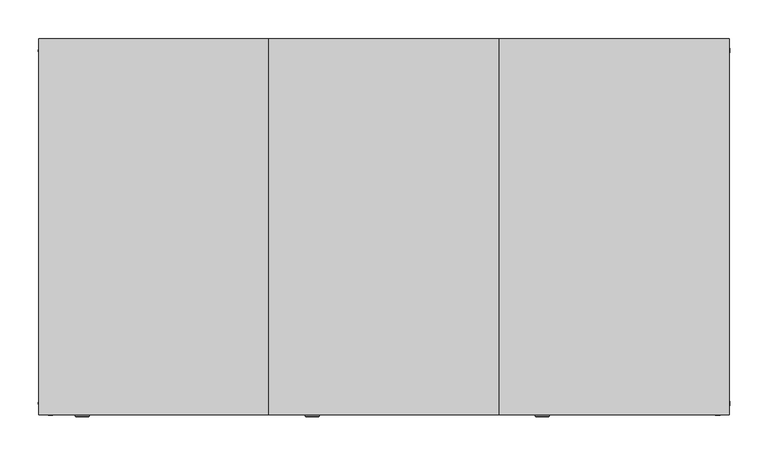
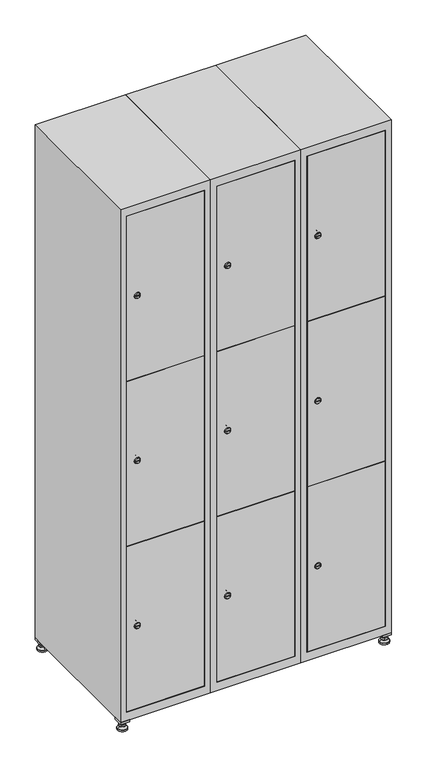
"""IFC4 building model written with IfcOpenShell, lengths in millimetres: furniture geometry."""

from ifc_helpers import new_model, si_unit, point, frame, frame_2d, origin, origin_with_axes, place, context, project, spatial, polyline, circle_curve, trimmed, segment, composite_curve, outline, extrude, faceted_brep, source, transform, mapped, element, save
from ifc_brep_helpers import plane_surface, revolved_surface, advanced_brep


def furniture_47629840(model_context):
    return source(origin(), model_context, "Body", "SolidModel", [
        extrude(outline(polyline([(700.0, 245.0), (700.0, 215.0), (670.0, 215.0), (670.0, 245.0), (700.0, 245.0)]), holes=[polyline([(698.0, 243.0), (672.0, 243.0), (672.0, 217.0), (698.0, 217.0), (698.0, 243.0)])]), frame((0.0, 0.0, 28.5), z_axis=(0.0, 0.0, 1.0), x_axis=(1.0, 0.0, 0.0)), (0.0, 0.0, 1.0), 6.5),
        extrude(outline(polyline([(670.0, -245.0), (670.0, -215.0), (700.0, -215.0), (700.0, -245.0), (670.0, -245.0)]), holes=[polyline([(672.0, -243.0), (698.0, -243.0), (698.0, -217.0), (672.0, -217.0), (672.0, -243.0)])]), frame((0.0, 0.0, 28.5), z_axis=(0.0, 0.0, 1.0), x_axis=(1.0, 0.0, 0.0)), (0.0, 0.0, 1.0), 6.5),
        extrude(outline(polyline([(-170.0, 245.0), (-170.0, 215.0), (-200.0, 215.0), (-200.0, 245.0), (-170.0, 245.0)]), holes=[polyline([(-172.0, 243.0), (-198.0, 243.0), (-198.0, 217.0), (-172.0, 217.0), (-172.0, 243.0)])]), frame((0.0, 0.0, 28.5), z_axis=(0.0, 0.0, 1.0), x_axis=(1.0, 0.0, 0.0)), (0.0, 0.0, 1.0), 6.5),
        extrude(outline(polyline([(-170.0, -215.0), (-170.0, -245.0), (-200.0, -245.0), (-200.0, -215.0), (-170.0, -215.0)]), holes=[polyline([(-198.0, -243.0), (-172.0, -243.0), (-172.0, -217.0), (-198.0, -217.0), (-198.0, -243.0)])]), frame((0.0, 0.0, 28.5), z_axis=(0.0, 0.0, 1.0), x_axis=(1.0, 0.0, 0.0)), (0.0, 0.0, 1.0), 6.5),
        extrude(outline(composite_curve([segment(trimmed(circle_curve(frame_2d((-185.0, 230.0)), 5.0), [point((-180.0, 230.0))], [point((-190.0, 230.0))], False, "CARTESIAN"), True, "CONTINUOUS"), segment(trimmed(circle_curve(frame_2d((-185.0, 230.0)), 5.0), [point((-190.0, 230.0))], [point((-180.0, 230.0))], False, "CARTESIAN"), True, "CONTINUOUS")], self_intersect=False)), frame((0.0, 0.0, 19.6), z_axis=(0.0, 0.0, 1.0), x_axis=(1.0, 0.0, 0.0)), (0.0, 0.0, 1.0), 15.4),
        extrude(outline(composite_curve([segment(trimmed(circle_curve(frame_2d((-185.0, -230.0)), 5.0), [point((-180.0, -230.0))], [point((-190.0, -230.0))], False, "CARTESIAN"), True, "CONTINUOUS"), segment(trimmed(circle_curve(frame_2d((-185.0, -230.0)), 5.0), [point((-190.0, -230.0))], [point((-180.0, -230.0))], False, "CARTESIAN"), True, "CONTINUOUS")], self_intersect=False)), frame((0.0, 0.0, 19.6), z_axis=(0.0, 0.0, 1.0), x_axis=(1.0, 0.0, 0.0)), (0.0, 0.0, 1.0), 15.4),
        extrude(outline(composite_curve([segment(trimmed(circle_curve(frame_2d((685.0, 230.0)), 5.0), [point((690.0, 230.0))], [point((680.0, 230.0))], False, "CARTESIAN"), True, "CONTINUOUS"), segment(trimmed(circle_curve(frame_2d((685.0, 230.0)), 5.0), [point((680.0, 230.0))], [point((690.0, 230.0))], False, "CARTESIAN"), True, "CONTINUOUS")], self_intersect=False)), frame((0.0, 0.0, 19.6), z_axis=(0.0, 0.0, 1.0), x_axis=(1.0, 0.0, 0.0)), (0.0, 0.0, 1.0), 15.4),
        extrude(outline(polyline([(673.4529946, 230.0), (679.2264973, 240.0), (690.7735027, 240.0), (696.5470054, 230.0), (690.7735027, 220.0), (679.2264973, 220.0), (673.4529946, 230.0)])), frame((0.0, 0.0, 13.6), z_axis=(0.0, 0.0, 1.0), x_axis=(1.0, 0.0, 0.0)), (0.0, 0.0, 1.0), 6.0),
        extrude(outline(composite_curve([segment(trimmed(circle_curve(frame_2d((685.0, -230.0)), 5.0), [point((690.0, -230.0))], [point((680.0, -230.0))], False, "CARTESIAN"), True, "CONTINUOUS"), segment(trimmed(circle_curve(frame_2d((685.0, -230.0)), 5.0), [point((680.0, -230.0))], [point((690.0, -230.0))], False, "CARTESIAN"), True, "CONTINUOUS")], self_intersect=False)), frame((0.0, 0.0, 19.6), z_axis=(0.0, 0.0, 1.0), x_axis=(1.0, 0.0, 0.0)), (0.0, 0.0, 1.0), 15.4),
        extrude(outline(polyline([(673.4529946, -230.0), (679.2264973, -220.0), (690.7735027, -220.0), (696.5470054, -230.0), (690.7735027, -240.0), (679.2264973, -240.0), (673.4529946, -230.0)])), frame((0.0, 0.0, 13.6), z_axis=(0.0, 0.0, 1.0), x_axis=(1.0, 0.0, 0.0)), (0.0, 0.0, 1.0), 6.0),
        extrude(outline(composite_curve([segment(trimmed(circle_curve(frame_2d((685.0, 230.0)), 5.0), [point((690.0, 230.0))], [point((680.0, 230.0))], False, "CARTESIAN"), True, "CONTINUOUS"), segment(trimmed(circle_curve(frame_2d((685.0, 230.0)), 5.0), [point((680.0, 230.0))], [point((690.0, 230.0))], False, "CARTESIAN"), True, "CONTINUOUS")], self_intersect=False)), frame((0.0, 0.0, 12.1), z_axis=(0.0, 0.0, 1.0), x_axis=(1.0, 0.0, 0.0)), (0.0, 0.0, 1.0), 1.5),
        extrude(outline(composite_curve([segment(trimmed(circle_curve(frame_2d((685.0, -230.0)), 5.0), [point((690.0, -230.0))], [point((680.0, -230.0))], False, "CARTESIAN"), True, "CONTINUOUS"), segment(trimmed(circle_curve(frame_2d((685.0, -230.0)), 5.0), [point((680.0, -230.0))], [point((690.0, -230.0))], False, "CARTESIAN"), True, "CONTINUOUS")], self_intersect=False)), frame((0.0, 0.0, 12.1), z_axis=(0.0, 0.0, 1.0), x_axis=(1.0, 0.0, 0.0)), (0.0, 0.0, 1.0), 1.5),
        extrude(outline(polyline([(-196.5470054, 230.0), (-190.7735027, 240.0), (-179.2264973, 240.0), (-173.4529946, 230.0), (-179.2264973, 220.0), (-190.7735027, 220.0), (-196.5470054, 230.0)])), frame((0.0, 0.0, 13.6), z_axis=(0.0, 0.0, 1.0), x_axis=(1.0, 0.0, 0.0)), (0.0, 0.0, 1.0), 6.0),
        extrude(outline(polyline([(-196.5470054, -230.0), (-190.7735027, -220.0), (-179.2264973, -220.0), (-173.4529946, -230.0), (-179.2264973, -240.0), (-190.7735027, -240.0), (-196.5470054, -230.0)])), frame((0.0, 0.0, 13.6), z_axis=(0.0, 0.0, 1.0), x_axis=(1.0, 0.0, 0.0)), (0.0, 0.0, 1.0), 6.0),
        extrude(outline(composite_curve([segment(trimmed(circle_curve(frame_2d((-185.0, 230.0)), 5.0), [point((-185.0, 235.0))], [point((-185.0, 225.0))], False, "CARTESIAN"), True, "CONTINUOUS"), segment(trimmed(circle_curve(frame_2d((-185.0, 230.0)), 5.0), [point((-185.0, 225.0))], [point((-185.0, 235.0))], False, "CARTESIAN"), True, "CONTINUOUS")], self_intersect=False)), frame((0.0, 0.0, 12.1), z_axis=(0.0, 0.0, 1.0), x_axis=(1.0, 0.0, 0.0)), (0.0, 0.0, 1.0), 1.5),
        extrude(outline(composite_curve([segment(trimmed(circle_curve(frame_2d((-185.0, -230.0)), 5.0), [point((-180.0, -230.0))], [point((-190.0, -230.0))], False, "CARTESIAN"), True, "CONTINUOUS"), segment(trimmed(circle_curve(frame_2d((-185.0, -230.0)), 5.0), [point((-190.0, -230.0))], [point((-180.0, -230.0))], False, "CARTESIAN"), True, "CONTINUOUS")], self_intersect=False)), frame((0.0, 0.0, 12.1), z_axis=(0.0, 0.0, 1.0), x_axis=(1.0, 0.0, 0.0)), (0.0, 0.0, 1.0), 1.5),
        extrude(outline(composite_curve([segment(trimmed(circle_curve(frame_2d((685.0, 230.0)), 15.75), [point((700.75, 230.0))], [point((669.25, 230.0))], False, "CARTESIAN"), True, "CONTINUOUS"), segment(trimmed(circle_curve(frame_2d((685.0, 230.0)), 15.75), [point((669.25, 230.0))], [point((700.75, 230.0))], False, "CARTESIAN"), True, "CONTINUOUS")], self_intersect=False)), origin_with_axes(), (0.0, 0.0, 1.0), 5.1),
        extrude(outline(composite_curve([segment(trimmed(circle_curve(frame_2d((685.0, -230.0)), 15.75), [point((685.0, -214.25))], [point((685.0, -245.75))], False, "CARTESIAN"), True, "CONTINUOUS"), segment(trimmed(circle_curve(frame_2d((685.0, -230.0)), 15.75), [point((685.0, -245.75))], [point((685.0, -214.25))], False, "CARTESIAN"), True, "CONTINUOUS")], self_intersect=False)), origin_with_axes(), (0.0, 0.0, 1.0), 5.1),
        extrude(outline(composite_curve([segment(trimmed(circle_curve(frame_2d((-185.0, -230.0)), 15.75), [point((-169.25, -230.0))], [point((-200.75, -230.0))], False, "CARTESIAN"), True, "CONTINUOUS"), segment(trimmed(circle_curve(frame_2d((-185.0, -230.0)), 15.75), [point((-200.75, -230.0))], [point((-169.25, -230.0))], False, "CARTESIAN"), True, "CONTINUOUS")], self_intersect=False)), origin_with_axes(), (0.0, 0.0, 1.0), 5.1),
        extrude(outline(composite_curve([segment(trimmed(circle_curve(frame_2d((-185.0, 230.0)), 15.75), [point((-169.25, 230.0))], [point((-200.75, 230.0))], False, "CARTESIAN"), True, "CONTINUOUS"), segment(trimmed(circle_curve(frame_2d((-185.0, 230.0)), 15.75), [point((-200.75, 230.0))], [point((-169.25, 230.0))], False, "CARTESIAN"), True, "CONTINUOUS")], self_intersect=False)), origin_with_axes(), (0.0, 0.0, 1.0), 5.1),
        advanced_brep(
        [(-185.0, 245.75, 5.1), (-185.0, 214.25, 5.1), (-185.0, 239.5, 12.1), (-185.0, 220.5, 12.1)],
        [
            (0, 1, circle_curve(frame((-185.0, 230.0, 5.1), z_axis=(0.0, 0.0, -1.0), x_axis=(0.0, 1.0, 0.0)), 15.75)),
            (1, 0, circle_curve(frame((-185.0, 230.0, 5.1), z_axis=(0.0, 0.0, -1.0), x_axis=(0.0, -1.0, 0.0)), 15.75)),
            (2, 3, circle_curve(frame((-185.0, 230.0, 12.1), z_axis=(0.0, 0.0, 1.0), x_axis=(0.0, -1.0, 0.0)), 9.5)),
            (3, 2, circle_curve(frame((-185.0, 230.0, 12.1), z_axis=(0.0, 0.0, 1.0), x_axis=(0.0, 1.0, 0.0)), 9.5)),
            (3, 1),
            (0, 2),
        ],
        [
            plane_surface(frame((-185.0, 230.0, 5.1), z_axis=(0.0, 0.0, -1.0), x_axis=(1.0, 0.0, 0.0))),
            plane_surface(frame((-185.0, 230.0, 12.1), z_axis=(0.0, 0.0, 1.0), x_axis=(1.0, 0.0, 0.0))),
            revolved_surface(polyline([(-185.0, 220.5, 12.099999999999998), (-185.0, 214.25, 5.099999999999998)]), (-185.0, 230.0, 22.74), (0.0, 0.0, -1.0)),
            revolved_surface(polyline([(-185.0, 239.5, 12.099999999999998), (-185.0, 245.75, 5.099999999999998)]), (-185.0, 230.0, 22.74), (0.0, 0.0, -1.0)),
        ],
        [
            (0, [[1, 2]]),
            (1, [[3, 4]]),
            (2, [[-4, 5, -1, 6]]),
            (3, [[-3, -6, -2, -5]]),
        ],
    ),
        advanced_brep(
        [(685.0, 245.75, 5.1), (685.0, 214.25, 5.1), (685.0, 239.5, 12.1), (685.0, 220.5, 12.1)],
        [
            (0, 1, circle_curve(frame((685.0, 230.0, 5.1), z_axis=(0.0, 0.0, -1.0), x_axis=(0.0, 1.0, 0.0)), 15.75)),
            (1, 0, circle_curve(frame((685.0, 230.0, 5.1), z_axis=(0.0, 0.0, -1.0), x_axis=(0.0, -1.0, 0.0)), 15.75)),
            (2, 3, circle_curve(frame((685.0, 230.0, 12.1), z_axis=(0.0, 0.0, 1.0), x_axis=(0.0, -1.0, 0.0)), 9.5)),
            (3, 2, circle_curve(frame((685.0, 230.0, 12.1), z_axis=(0.0, 0.0, 1.0), x_axis=(0.0, 1.0, 0.0)), 9.5)),
            (3, 1),
            (0, 2),
        ],
        [
            plane_surface(frame((685.0, 230.0, 5.1), z_axis=(0.0, 0.0, -1.0), x_axis=(1.0, 0.0, 0.0))),
            plane_surface(frame((685.0, 230.0, 12.1), z_axis=(0.0, 0.0, 1.0), x_axis=(1.0, 0.0, 0.0))),
            revolved_surface(polyline([(685.0, 220.5, 12.099999999999998), (685.0, 214.25, 5.099999999999998)]), (685.0, 230.0, 22.74), (0.0, 0.0, -1.0)),
            revolved_surface(polyline([(685.0, 239.5, 12.099999999999998), (685.0, 245.75, 5.099999999999998)]), (685.0, 230.0, 22.74), (0.0, 0.0, -1.0)),
        ],
        [
            (0, [[1, 2]]),
            (1, [[3, 4]]),
            (2, [[-4, 5, -1, 6]]),
            (3, [[-3, -6, -2, -5]]),
        ],
    ),
        advanced_brep(
        [(694.5, -230.0, 12.1), (675.5, -230.0, 12.1), (700.75, -230.0, 5.1), (669.25, -230.0, 5.1)],
        [
            (0, 1, circle_curve(frame((685.0, -230.0, 12.1), z_axis=(0.0, 0.0, 1.0), x_axis=(1.0, 0.0, 0.0)), 9.5)),
            (1, 0, circle_curve(frame((685.0, -230.0, 12.1), z_axis=(0.0, 0.0, 1.0), x_axis=(-1.0, 0.0, 0.0)), 9.5)),
            (2, 3, circle_curve(frame((685.0, -230.0, 5.1), z_axis=(0.0, 0.0, -1.0), x_axis=(-1.0, 0.0, 0.0)), 15.75)),
            (3, 2, circle_curve(frame((685.0, -230.0, 5.1), z_axis=(0.0, 0.0, -1.0), x_axis=(1.0, 0.0, 0.0)), 15.75)),
            (3, 1),
            (0, 2),
        ],
        [
            plane_surface(frame((685.0, -230.0, 12.1), z_axis=(0.0, 0.0, 1.0), x_axis=(0.0, 1.0, 0.0))),
            plane_surface(frame((685.0, -230.0, 5.1), z_axis=(0.0, 0.0, -1.0), x_axis=(0.0, 1.0, 0.0))),
            revolved_surface(polyline([(694.5, -230.0, 12.099999999999998), (700.75, -230.0, 5.099999999999998)]), (685.0, -230.0, 22.74), (0.0, 0.0, -1.0)),
            revolved_surface(polyline([(675.5, -230.0, 12.099999999999998), (669.25, -230.0, 5.099999999999998)]), (685.0, -230.0, 22.74), (0.0, 0.0, -1.0)),
        ],
        [
            (0, [[1, 2]]),
            (1, [[3, 4]]),
            (2, [[-4, 5, -1, 6]]),
            (3, [[-3, -6, -2, -5]]),
        ],
    ),
        advanced_brep(
        [(-175.5, -230.0, 12.1), (-194.5, -230.0, 12.1), (-169.25, -230.0, 5.1), (-200.75, -230.0, 5.1)],
        [
            (0, 1, circle_curve(frame((-185.0, -230.0, 12.1), z_axis=(0.0, 0.0, 1.0), x_axis=(1.0, 0.0, 0.0)), 9.5)),
            (1, 0, circle_curve(frame((-185.0, -230.0, 12.1), z_axis=(0.0, 0.0, 1.0), x_axis=(-1.0, 0.0, 0.0)), 9.5)),
            (2, 3, circle_curve(frame((-185.0, -230.0, 5.1), z_axis=(0.0, 0.0, -1.0), x_axis=(-1.0, 0.0, 0.0)), 15.75)),
            (3, 2, circle_curve(frame((-185.0, -230.0, 5.1), z_axis=(0.0, 0.0, -1.0), x_axis=(1.0, 0.0, 0.0)), 15.75)),
            (3, 1),
            (0, 2),
        ],
        [
            plane_surface(frame((-185.0, -230.0, 12.1), z_axis=(0.0, 0.0, 1.0), x_axis=(0.0, 1.0, 0.0))),
            plane_surface(frame((-185.0, -230.0, 5.1), z_axis=(0.0, 0.0, -1.0), x_axis=(0.0, 1.0, 0.0))),
            revolved_surface(polyline([(-175.5, -230.0, 12.099999999999998), (-169.25, -230.0, 5.099999999999998)]), (-185.0, -230.0, 22.74), (0.0, 0.0, -1.0)),
            revolved_surface(polyline([(-194.5, -230.0, 12.099999999999998), (-200.75, -230.0, 5.099999999999998)]), (-185.0, -230.0, 22.74), (0.0, 0.0, -1.0)),
        ],
        [
            (0, [[1, 2]]),
            (1, [[3, 4]]),
            (2, [[-4, 5, -1, 6]]),
            (3, [[-3, -6, -2, -5]]),
        ],
    ),
        extrude(outline(composite_curve([segment(trimmed(circle_curve(frame_2d((355.8, 429.6010534)), 7.0), [point((362.8, 429.6010534))], [point((348.8, 429.6010534))], False, "CARTESIAN"), True, "CONTINUOUS"), segment(polyline([(348.8, 429.6010534), (348.8, 457.6010534)]), True, "CONTINUOUS"), segment(trimmed(circle_curve(frame_2d((355.8, 457.6010534)), 7.0), [point((348.8, 457.6010534))], [point((362.8, 457.6010534))], False, "CARTESIAN"), True, "CONTINUOUS"), segment(polyline([(362.8, 457.6010534), (362.8, 429.6010534)]), True, "CONTINUOUS")], self_intersect=False)), frame((0.0, -227.0, 0.0), z_axis=(0.0, 1.0, 0.0), x_axis=(0.0, 0.0, 1.0)), (0.0, 0.0, 1.0), 2.0),
        advanced_brep(
        [(464.9, -247.2, 355.8), (447.9, -247.2, 355.8), (451.4, -247.2, 354.55), (451.4, -247.2, 357.05), (461.4, -247.2, 357.05), (461.4, -247.2, 354.55), (466.9, -245.0, 355.8), (445.9, -245.0, 355.8), (451.4, -245.0, 357.05), (451.4, -245.0, 354.55), (461.4, -245.0, 354.55), (461.4, -245.0, 357.05)],
        [
            (0, 1, circle_curve(frame((456.4, -247.2, 355.8), z_axis=(0.0, -1.0, 0.0), x_axis=(1.0, 0.0, 0.0)), 8.5)),
            (1, 0, circle_curve(frame((456.4, -247.2, 355.8), z_axis=(0.0, -1.0, 0.0), x_axis=(-1.0, 0.0, 0.0)), 8.5)),
            (2, 3),
            (3, 4),
            (4, 5),
            (5, 2),
            (6, 7, circle_curve(frame((456.4, -245.0, 355.8), z_axis=(0.0, 1.0, 0.0), x_axis=(-1.0, 0.0, 0.0)), 10.5)),
            (7, 6, circle_curve(frame((456.4, -245.0, 355.8), z_axis=(0.0, 1.0, 0.0), x_axis=(1.0, 0.0, 0.0)), 10.5)),
            (8, 9),
            (9, 10),
            (10, 11),
            (11, 8),
            (0, 6),
            (7, 1),
            (8, 3),
            (2, 9),
            (11, 4),
            (10, 5),
        ],
        [
            plane_surface(frame((456.4, -247.2, 355.8), z_axis=(0.0, -1.0, 0.0), x_axis=(0.0, 0.0, 1.0))),
            plane_surface(frame((456.4, -245.0, 355.8), z_axis=(0.0, 1.0, 0.0), x_axis=(0.0, 0.0, 1.0))),
            revolved_surface(polyline([(464.9, -247.2, 355.8), (466.9, -245.0, 355.8)]), (456.4, -256.55, 355.8), (0.0, 1.0, 0.0)),
            revolved_surface(polyline([(447.9, -247.2, 355.8), (445.9, -245.0, 355.8)]), (456.4, -256.55, 355.8), (0.0, 1.0, 0.0)),
            plane_surface(frame((451.4, -245.0, 354.55), z_axis=(1.0, 0.0, 0.0), x_axis=(0.0, -1.0, 0.0))),
            plane_surface(frame((451.4, -245.0, 357.05), z_axis=(0.0, 0.0, -1.0), x_axis=(0.0, -1.0, 0.0))),
            plane_surface(frame((461.4, -245.0, 357.05), z_axis=(-1.0, 0.0, 0.0), x_axis=(0.0, -1.0, 0.0))),
            plane_surface(frame((461.4, -245.0, 354.55), z_axis=(0.0, 0.0, 1.0), x_axis=(0.0, -1.0, 0.0))),
        ],
        [
            (0, [[1, 2], [3, 4, 5, 6]]),
            (1, [[7, 8], [9, 10, 11, 12]]),
            (2, [[-1, 13, -8, 14]]),
            (3, [[-2, -14, -7, -13]]),
            (4, [[15, -3, 16, -9]]),
            (5, [[-15, -12, 17, -4]]),
            (6, [[-17, -11, 18, -5]]),
            (7, [[-16, -6, -18, -10]]),
        ],
    ),
        extrude(outline(composite_curve([segment(trimmed(circle_curve(frame_2d((935.0, 429.6010534)), 7.0), [point((942.0, 429.6010534))], [point((928.0, 429.6010534))], False, "CARTESIAN"), True, "CONTINUOUS"), segment(polyline([(928.0, 429.6010534), (928.0, 457.6010534)]), True, "CONTINUOUS"), segment(trimmed(circle_curve(frame_2d((935.0, 457.6010534)), 7.0), [point((928.0, 457.6010534))], [point((942.0, 457.6010534))], False, "CARTESIAN"), True, "CONTINUOUS"), segment(polyline([(942.0, 457.6010534), (942.0, 429.6010534)]), True, "CONTINUOUS")], self_intersect=False)), frame((0.0, -227.0, 0.0), z_axis=(0.0, 1.0, 0.0), x_axis=(0.0, 0.0, 1.0)), (0.0, 0.0, 1.0), 2.0),
        advanced_brep(
        [(464.9, -247.2, 935.0), (447.9, -247.2, 935.0), (451.4, -247.2, 933.75), (451.4, -247.2, 936.25), (461.4, -247.2, 936.25), (461.4, -247.2, 933.75), (466.9, -245.0, 935.0), (445.9, -245.0, 935.0), (451.4, -245.0, 936.25), (451.4, -245.0, 933.75), (461.4, -245.0, 933.75), (461.4, -245.0, 936.25)],
        [
            (0, 1, circle_curve(frame((456.4, -247.2, 935.0), z_axis=(0.0, -1.0, 0.0), x_axis=(1.0, 0.0, 0.0)), 8.5)),
            (1, 0, circle_curve(frame((456.4, -247.2, 935.0), z_axis=(0.0, -1.0, 0.0), x_axis=(-1.0, 0.0, 0.0)), 8.5)),
            (2, 3),
            (3, 4),
            (4, 5),
            (5, 2),
            (6, 7, circle_curve(frame((456.4, -245.0, 935.0), z_axis=(0.0, 1.0, 0.0), x_axis=(-1.0, 0.0, 0.0)), 10.5)),
            (7, 6, circle_curve(frame((456.4, -245.0, 935.0), z_axis=(0.0, 1.0, 0.0), x_axis=(1.0, 0.0, 0.0)), 10.5)),
            (8, 9),
            (9, 10),
            (10, 11),
            (11, 8),
            (0, 6),
            (7, 1),
            (8, 3),
            (2, 9),
            (11, 4),
            (10, 5),
        ],
        [
            plane_surface(frame((456.4, -247.2, 935.0), z_axis=(0.0, -1.0, 0.0), x_axis=(0.0, 0.0, 1.0))),
            plane_surface(frame((456.4, -245.0, 935.0), z_axis=(0.0, 1.0, 0.0), x_axis=(0.0, 0.0, 1.0))),
            revolved_surface(polyline([(464.9, -247.2, 935.0), (466.9, -245.0, 935.0)]), (456.4, -256.55, 935.0), (0.0, 1.0, 0.0)),
            revolved_surface(polyline([(447.9, -247.2, 935.0), (445.9, -245.0, 935.0)]), (456.4, -256.55, 935.0), (0.0, 1.0, 0.0)),
            plane_surface(frame((451.4, -245.0, 933.75), z_axis=(1.0, 0.0, 0.0), x_axis=(0.0, -1.0, 0.0))),
            plane_surface(frame((451.4, -245.0, 936.25), z_axis=(0.0, 0.0, -1.0), x_axis=(0.0, -1.0, 0.0))),
            plane_surface(frame((461.4, -245.0, 936.25), z_axis=(-1.0, 0.0, 0.0), x_axis=(0.0, -1.0, 0.0))),
            plane_surface(frame((461.4, -245.0, 933.75), z_axis=(0.0, 0.0, 1.0), x_axis=(0.0, -1.0, 0.0))),
        ],
        [
            (0, [[1, 2], [3, 4, 5, 6]]),
            (1, [[7, 8], [9, 10, 11, 12]]),
            (2, [[-1, 13, -8, 14]]),
            (3, [[-2, -14, -7, -13]]),
            (4, [[15, -3, 16, -9]]),
            (5, [[-15, -12, 17, -4]]),
            (6, [[-17, -11, 18, -5]]),
            (7, [[-16, -6, -18, -10]]),
        ],
    ),
        extrude(outline(composite_curve([segment(trimmed(circle_curve(frame_2d((1514.2, 429.6010534)), 7.0), [point((1521.2, 429.6010534))], [point((1507.2, 429.6010534))], False, "CARTESIAN"), True, "CONTINUOUS"), segment(polyline([(1507.2, 429.6010534), (1507.2, 457.6010534)]), True, "CONTINUOUS"), segment(trimmed(circle_curve(frame_2d((1514.2, 457.6010534)), 7.0), [point((1507.2, 457.6010534))], [point((1521.2, 457.6010534))], False, "CARTESIAN"), True, "CONTINUOUS"), segment(polyline([(1521.2, 457.6010534), (1521.2, 429.6010534)]), True, "CONTINUOUS")], self_intersect=False)), frame((0.0, -227.0, 0.0), z_axis=(0.0, 1.0, 0.0), x_axis=(0.0, 0.0, 1.0)), (0.0, 0.0, 1.0), 2.0),
        advanced_brep(
        [(464.9, -247.2, 1514.2), (447.9, -247.2, 1514.2), (451.4, -247.2, 1512.95), (451.4, -247.2, 1515.45), (461.4, -247.2, 1515.45), (461.4, -247.2, 1512.95), (466.9, -245.0, 1514.2), (445.9, -245.0, 1514.2), (451.4, -245.0, 1515.45), (451.4, -245.0, 1512.95), (461.4, -245.0, 1512.95), (461.4, -245.0, 1515.45)],
        [
            (0, 1, circle_curve(frame((456.4, -247.2, 1514.2), z_axis=(0.0, -1.0, 0.0), x_axis=(1.0, 0.0, 0.0)), 8.5)),
            (1, 0, circle_curve(frame((456.4, -247.2, 1514.2), z_axis=(0.0, -1.0, 0.0), x_axis=(-1.0, 0.0, 0.0)), 8.5)),
            (2, 3),
            (3, 4),
            (4, 5),
            (5, 2),
            (6, 7, circle_curve(frame((456.4, -245.0, 1514.2), z_axis=(0.0, 1.0, 0.0), x_axis=(-1.0, 0.0, 0.0)), 10.5)),
            (7, 6, circle_curve(frame((456.4, -245.0, 1514.2), z_axis=(0.0, 1.0, 0.0), x_axis=(1.0, 0.0, 0.0)), 10.5)),
            (8, 9),
            (9, 10),
            (10, 11),
            (11, 8),
            (0, 6),
            (7, 1),
            (8, 3),
            (2, 9),
            (11, 4),
            (10, 5),
        ],
        [
            plane_surface(frame((456.4, -247.2, 1514.2), z_axis=(0.0, -1.0, 0.0), x_axis=(0.0, 0.0, 1.0))),
            plane_surface(frame((456.4, -245.0, 1514.2), z_axis=(0.0, 1.0, 0.0), x_axis=(0.0, 0.0, 1.0))),
            revolved_surface(polyline([(464.9, -247.2, 1514.2), (466.9, -245.0, 1514.2)]), (456.4, -256.55, 1514.2), (0.0, 1.0, 0.0)),
            revolved_surface(polyline([(447.9, -247.2, 1514.2), (445.9, -245.0, 1514.2)]), (456.4, -256.55, 1514.2), (0.0, 1.0, 0.0)),
            plane_surface(frame((451.4, -245.0, 1512.95), z_axis=(1.0, 0.0, 0.0), x_axis=(0.0, -1.0, 0.0))),
            plane_surface(frame((451.4, -245.0, 1515.45), z_axis=(0.0, 0.0, -1.0), x_axis=(0.0, -1.0, 0.0))),
            plane_surface(frame((461.4, -245.0, 1515.45), z_axis=(-1.0, 0.0, 0.0), x_axis=(0.0, -1.0, 0.0))),
            plane_surface(frame((461.4, -245.0, 1512.95), z_axis=(0.0, 0.0, 1.0), x_axis=(0.0, -1.0, 0.0))),
        ],
        [
            (0, [[1, 2], [3, 4, 5, 6]]),
            (1, [[7, 8], [9, 10, 11, 12]]),
            (2, [[-1, 13, -8, 14]]),
            (3, [[-2, -14, -7, -13]]),
            (4, [[15, -3, 16, -9]]),
            (5, [[-15, -12, 17, -4]]),
            (6, [[-17, -11, 18, -5]]),
            (7, [[-16, -6, -18, -10]]),
        ],
    ),
        extrude(outline(polyline([(678.6, -227.0), (678.6, -245.0), (421.4, -245.0), (421.4, -227.0), (678.6, -227.0)])), frame((0.0, 0.0, 645.9), z_axis=(0.0, 0.0, 1.0), x_axis=(1.0, 0.0, 0.0)), (0.0, 0.0, 1.0), 578.2),
        extrude(outline(polyline([(421.4, -245.0), (421.4, -227.0), (678.6, -227.0), (678.6, -245.0), (421.4, -245.0)])), frame((0.0, 0.0, 1225.1), z_axis=(0.0, 0.0, 1.0), x_axis=(1.0, 0.0, 0.0)), (0.0, 0.0, 1.0), 578.7),
        extrude(outline(polyline([(678.6, -227.0), (678.6, -245.0), (421.4, -245.0), (421.4, -227.0), (678.6, -227.0)])), frame((0.0, 0.0, 66.2), z_axis=(0.0, 0.0, 1.0), x_axis=(1.0, 0.0, 0.0)), (0.0, 0.0, 1.0), 578.7),
        extrude(outline(polyline([(679.6, 242.0), (679.6, -227.0), (420.4, -227.0), (420.4, 242.0), (679.6, 242.0)])), frame((0.0, 0.0, 1214.7333333), z_axis=(0.0, 0.0, 1.0), x_axis=(1.0, 0.0, 0.0)), (0.0, 0.0, 1.0), 20.4),
        extrude(outline(polyline([(420.4, 242.0), (679.6, 242.0), (679.6, -227.0), (420.4, -227.0), (420.4, 242.0)])), frame((0.0, 0.0, 634.8666667), z_axis=(0.0, 0.0, 1.0), x_axis=(1.0, 0.0, 0.0)), (0.0, 0.0, 1.0), 20.4),
        faceted_brep([(700.0, -245.0, 35.0), (700.0, -245.0, 1835.0), (400.0, -245.0, 1835.0), (400.0, -245.0, 35.0), (679.6, -245.0, 1804.8), (679.6, -245.0, 65.2), (420.4, -245.0, 65.2), (420.4, -245.0, 1804.8), (700.0, 245.0, 35.0), (400.0, 245.0, 35.0), (700.0, 245.0, 1835.0), (400.0, 245.0, 1835.0), (679.6, 242.0, 1804.8), (679.6, 242.0, 65.2), (400.0, 245.0, 1804.8), (420.4, 242.0, 1804.8), (420.4, 242.0, 65.2)], [[[0, 1, 2, 3], [4, 5, 6, 7]], [[8, 0, 3, 9]], [[1, 0, 8, 10]], [[1, 10, 11, 2]], [[4, 12, 13, 5]], [[9, 3, 2, 11, 14]], [[10, 8, 9, 14, 11]], [[12, 15, 16, 13]], [[15, 7, 6, 16]], [[4, 7, 15, 12]], [[6, 5, 13, 16]]]),
        extrude(outline(composite_curve([segment(trimmed(circle_curve(frame_2d((355.8, 129.6010534)), 7.0), [point((362.8, 129.6010534))], [point((348.8, 129.6010534))], False, "CARTESIAN"), True, "CONTINUOUS"), segment(polyline([(348.8, 129.6010534), (348.8, 157.6010534)]), True, "CONTINUOUS"), segment(trimmed(circle_curve(frame_2d((355.8, 157.6010534)), 7.0), [point((348.8, 157.6010534))], [point((362.8, 157.6010534))], False, "CARTESIAN"), True, "CONTINUOUS"), segment(polyline([(362.8, 157.6010534), (362.8, 129.6010534)]), True, "CONTINUOUS")], self_intersect=False)), frame((0.0, -227.0, 0.0), z_axis=(0.0, 1.0, 0.0), x_axis=(0.0, 0.0, 1.0)), (0.0, 0.0, 1.0), 2.0),
        advanced_brep(
        [(164.9, -247.2, 355.8), (147.9, -247.2, 355.8), (151.4, -247.2, 354.55), (151.4, -247.2, 357.05), (161.4, -247.2, 357.05), (161.4, -247.2, 354.55), (166.9, -245.0, 355.8), (145.9, -245.0, 355.8), (151.4, -245.0, 357.05), (151.4, -245.0, 354.55), (161.4, -245.0, 354.55), (161.4, -245.0, 357.05)],
        [
            (0, 1, circle_curve(frame((156.4, -247.2, 355.8), z_axis=(0.0, -1.0, 0.0), x_axis=(1.0, 0.0, 0.0)), 8.5)),
            (1, 0, circle_curve(frame((156.4, -247.2, 355.8), z_axis=(0.0, -1.0, 0.0), x_axis=(-1.0, 0.0, 0.0)), 8.5)),
            (2, 3),
            (3, 4),
            (4, 5),
            (5, 2),
            (6, 7, circle_curve(frame((156.4, -245.0, 355.8), z_axis=(0.0, 1.0, 0.0), x_axis=(-1.0, 0.0, 0.0)), 10.5)),
            (7, 6, circle_curve(frame((156.4, -245.0, 355.8), z_axis=(0.0, 1.0, 0.0), x_axis=(1.0, 0.0, 0.0)), 10.5)),
            (8, 9),
            (9, 10),
            (10, 11),
            (11, 8),
            (0, 6),
            (7, 1),
            (8, 3),
            (2, 9),
            (11, 4),
            (10, 5),
        ],
        [
            plane_surface(frame((156.4, -247.2, 355.8), z_axis=(0.0, -1.0, 0.0), x_axis=(0.0, 0.0, 1.0))),
            plane_surface(frame((156.4, -245.0, 355.8), z_axis=(0.0, 1.0, 0.0), x_axis=(0.0, 0.0, 1.0))),
            revolved_surface(polyline([(164.9, -247.2, 355.8), (166.9, -245.0, 355.8)]), (156.4, -256.55, 355.8), (0.0, 1.0, 0.0)),
            revolved_surface(polyline([(147.9, -247.2, 355.8), (145.9, -245.0, 355.8)]), (156.4, -256.55, 355.8), (0.0, 1.0, 0.0)),
            plane_surface(frame((151.4, -245.0, 354.55), z_axis=(1.0, 0.0, 0.0), x_axis=(0.0, -1.0, 0.0))),
            plane_surface(frame((151.4, -245.0, 357.05), z_axis=(0.0, 0.0, -1.0), x_axis=(0.0, -1.0, 0.0))),
            plane_surface(frame((161.4, -245.0, 357.05), z_axis=(-1.0, 0.0, 0.0), x_axis=(0.0, -1.0, 0.0))),
            plane_surface(frame((161.4, -245.0, 354.55), z_axis=(0.0, 0.0, 1.0), x_axis=(0.0, -1.0, 0.0))),
        ],
        [
            (0, [[1, 2], [3, 4, 5, 6]]),
            (1, [[7, 8], [9, 10, 11, 12]]),
            (2, [[-1, 13, -8, 14]]),
            (3, [[-2, -14, -7, -13]]),
            (4, [[15, -3, 16, -9]]),
            (5, [[-15, -12, 17, -4]]),
            (6, [[-17, -11, 18, -5]]),
            (7, [[-16, -6, -18, -10]]),
        ],
    ),
        extrude(outline(composite_curve([segment(trimmed(circle_curve(frame_2d((935.0, 129.6010534)), 7.0), [point((942.0, 129.6010534))], [point((928.0, 129.6010534))], False, "CARTESIAN"), True, "CONTINUOUS"), segment(polyline([(928.0, 129.6010534), (928.0, 157.6010534)]), True, "CONTINUOUS"), segment(trimmed(circle_curve(frame_2d((935.0, 157.6010534)), 7.0), [point((928.0, 157.6010534))], [point((942.0, 157.6010534))], False, "CARTESIAN"), True, "CONTINUOUS"), segment(polyline([(942.0, 157.6010534), (942.0, 129.6010534)]), True, "CONTINUOUS")], self_intersect=False)), frame((0.0, -227.0, 0.0), z_axis=(0.0, 1.0, 0.0), x_axis=(0.0, 0.0, 1.0)), (0.0, 0.0, 1.0), 2.0),
        advanced_brep(
        [(164.9, -247.2, 935.0), (147.9, -247.2, 935.0), (151.4, -247.2, 933.75), (151.4, -247.2, 936.25), (161.4, -247.2, 936.25), (161.4, -247.2, 933.75), (166.9, -245.0, 935.0), (145.9, -245.0, 935.0), (151.4, -245.0, 936.25), (151.4, -245.0, 933.75), (161.4, -245.0, 933.75), (161.4, -245.0, 936.25)],
        [
            (0, 1, circle_curve(frame((156.4, -247.2, 935.0), z_axis=(0.0, -1.0, 0.0), x_axis=(1.0, 0.0, 0.0)), 8.5)),
            (1, 0, circle_curve(frame((156.4, -247.2, 935.0), z_axis=(0.0, -1.0, 0.0), x_axis=(-1.0, 0.0, 0.0)), 8.5)),
            (2, 3),
            (3, 4),
            (4, 5),
            (5, 2),
            (6, 7, circle_curve(frame((156.4, -245.0, 935.0), z_axis=(0.0, 1.0, 0.0), x_axis=(-1.0, 0.0, 0.0)), 10.5)),
            (7, 6, circle_curve(frame((156.4, -245.0, 935.0), z_axis=(0.0, 1.0, 0.0), x_axis=(1.0, 0.0, 0.0)), 10.5)),
            (8, 9),
            (9, 10),
            (10, 11),
            (11, 8),
            (0, 6),
            (7, 1),
            (8, 3),
            (2, 9),
            (11, 4),
            (10, 5),
        ],
        [
            plane_surface(frame((156.4, -247.2, 935.0), z_axis=(0.0, -1.0, 0.0), x_axis=(0.0, 0.0, 1.0))),
            plane_surface(frame((156.4, -245.0, 935.0), z_axis=(0.0, 1.0, 0.0), x_axis=(0.0, 0.0, 1.0))),
            revolved_surface(polyline([(164.9, -247.2, 935.0), (166.9, -245.0, 935.0)]), (156.4, -256.55, 935.0), (0.0, 1.0, 0.0)),
            revolved_surface(polyline([(147.9, -247.2, 935.0), (145.9, -245.0, 935.0)]), (156.4, -256.55, 935.0), (0.0, 1.0, 0.0)),
            plane_surface(frame((151.4, -245.0, 933.75), z_axis=(1.0, 0.0, 0.0), x_axis=(0.0, -1.0, 0.0))),
            plane_surface(frame((151.4, -245.0, 936.25), z_axis=(0.0, 0.0, -1.0), x_axis=(0.0, -1.0, 0.0))),
            plane_surface(frame((161.4, -245.0, 936.25), z_axis=(-1.0, 0.0, 0.0), x_axis=(0.0, -1.0, 0.0))),
            plane_surface(frame((161.4, -245.0, 933.75), z_axis=(0.0, 0.0, 1.0), x_axis=(0.0, -1.0, 0.0))),
        ],
        [
            (0, [[1, 2], [3, 4, 5, 6]]),
            (1, [[7, 8], [9, 10, 11, 12]]),
            (2, [[-1, 13, -8, 14]]),
            (3, [[-2, -14, -7, -13]]),
            (4, [[15, -3, 16, -9]]),
            (5, [[-15, -12, 17, -4]]),
            (6, [[-17, -11, 18, -5]]),
            (7, [[-16, -6, -18, -10]]),
        ],
    ),
        extrude(outline(composite_curve([segment(trimmed(circle_curve(frame_2d((1514.2, 129.6010534)), 7.0), [point((1521.2, 129.6010534))], [point((1507.2, 129.6010534))], False, "CARTESIAN"), True, "CONTINUOUS"), segment(polyline([(1507.2, 129.6010534), (1507.2, 157.6010534)]), True, "CONTINUOUS"), segment(trimmed(circle_curve(frame_2d((1514.2, 157.6010534)), 7.0), [point((1507.2, 157.6010534))], [point((1521.2, 157.6010534))], False, "CARTESIAN"), True, "CONTINUOUS"), segment(polyline([(1521.2, 157.6010534), (1521.2, 129.6010534)]), True, "CONTINUOUS")], self_intersect=False)), frame((0.0, -227.0, 0.0), z_axis=(0.0, 1.0, 0.0), x_axis=(0.0, 0.0, 1.0)), (0.0, 0.0, 1.0), 2.0),
        advanced_brep(
        [(164.9, -247.2, 1514.2), (147.9, -247.2, 1514.2), (151.4, -247.2, 1512.95), (151.4, -247.2, 1515.45), (161.4, -247.2, 1515.45), (161.4, -247.2, 1512.95), (166.9, -245.0, 1514.2), (145.9, -245.0, 1514.2), (151.4, -245.0, 1515.45), (151.4, -245.0, 1512.95), (161.4, -245.0, 1512.95), (161.4, -245.0, 1515.45)],
        [
            (0, 1, circle_curve(frame((156.4, -247.2, 1514.2), z_axis=(0.0, -1.0, 0.0), x_axis=(1.0, 0.0, 0.0)), 8.5)),
            (1, 0, circle_curve(frame((156.4, -247.2, 1514.2), z_axis=(0.0, -1.0, 0.0), x_axis=(-1.0, 0.0, 0.0)), 8.5)),
            (2, 3),
            (3, 4),
            (4, 5),
            (5, 2),
            (6, 7, circle_curve(frame((156.4, -245.0, 1514.2), z_axis=(0.0, 1.0, 0.0), x_axis=(-1.0, 0.0, 0.0)), 10.5)),
            (7, 6, circle_curve(frame((156.4, -245.0, 1514.2), z_axis=(0.0, 1.0, 0.0), x_axis=(1.0, 0.0, 0.0)), 10.5)),
            (8, 9),
            (9, 10),
            (10, 11),
            (11, 8),
            (0, 6),
            (7, 1),
            (8, 3),
            (2, 9),
            (11, 4),
            (10, 5),
        ],
        [
            plane_surface(frame((156.4, -247.2, 1514.2), z_axis=(0.0, -1.0, 0.0), x_axis=(0.0, 0.0, 1.0))),
            plane_surface(frame((156.4, -245.0, 1514.2), z_axis=(0.0, 1.0, 0.0), x_axis=(0.0, 0.0, 1.0))),
            revolved_surface(polyline([(164.9, -247.2, 1514.2), (166.9, -245.0, 1514.2)]), (156.4, -256.55, 1514.2), (0.0, 1.0, 0.0)),
            revolved_surface(polyline([(147.9, -247.2, 1514.2), (145.9, -245.0, 1514.2)]), (156.4, -256.55, 1514.2), (0.0, 1.0, 0.0)),
            plane_surface(frame((151.4, -245.0, 1512.95), z_axis=(1.0, 0.0, 0.0), x_axis=(0.0, -1.0, 0.0))),
            plane_surface(frame((151.4, -245.0, 1515.45), z_axis=(0.0, 0.0, -1.0), x_axis=(0.0, -1.0, 0.0))),
            plane_surface(frame((161.4, -245.0, 1515.45), z_axis=(-1.0, 0.0, 0.0), x_axis=(0.0, -1.0, 0.0))),
            plane_surface(frame((161.4, -245.0, 1512.95), z_axis=(0.0, 0.0, 1.0), x_axis=(0.0, -1.0, 0.0))),
        ],
        [
            (0, [[1, 2], [3, 4, 5, 6]]),
            (1, [[7, 8], [9, 10, 11, 12]]),
            (2, [[-1, 13, -8, 14]]),
            (3, [[-2, -14, -7, -13]]),
            (4, [[15, -3, 16, -9]]),
            (5, [[-15, -12, 17, -4]]),
            (6, [[-17, -11, 18, -5]]),
            (7, [[-16, -6, -18, -10]]),
        ],
    ),
        extrude(outline(polyline([(378.6, -227.0), (378.6, -245.0), (121.4, -245.0), (121.4, -227.0), (378.6, -227.0)])), frame((0.0, 0.0, 645.9), z_axis=(0.0, 0.0, 1.0), x_axis=(1.0, 0.0, 0.0)), (0.0, 0.0, 1.0), 578.2),
        extrude(outline(polyline([(121.4, -245.0), (121.4, -227.0), (378.6, -227.0), (378.6, -245.0), (121.4, -245.0)])), frame((0.0, 0.0, 1225.1), z_axis=(0.0, 0.0, 1.0), x_axis=(1.0, 0.0, 0.0)), (0.0, 0.0, 1.0), 578.7),
        extrude(outline(polyline([(378.6, -227.0), (378.6, -245.0), (121.4, -245.0), (121.4, -227.0), (378.6, -227.0)])), frame((0.0, 0.0, 66.2), z_axis=(0.0, 0.0, 1.0), x_axis=(1.0, 0.0, 0.0)), (0.0, 0.0, 1.0), 578.7),
        extrude(outline(polyline([(379.6, 242.0), (379.6, -227.0), (120.4, -227.0), (120.4, 242.0), (379.6, 242.0)])), frame((0.0, 0.0, 1214.7333333), z_axis=(0.0, 0.0, 1.0), x_axis=(1.0, 0.0, 0.0)), (0.0, 0.0, 1.0), 20.4),
        extrude(outline(polyline([(120.4, 242.0), (379.6, 242.0), (379.6, -227.0), (120.4, -227.0), (120.4, 242.0)])), frame((0.0, 0.0, 634.8666667), z_axis=(0.0, 0.0, 1.0), x_axis=(1.0, 0.0, 0.0)), (0.0, 0.0, 1.0), 20.4),
        faceted_brep([(400.0, -245.0, 35.0), (400.0, -245.0, 1835.0), (100.0, -245.0, 1835.0), (100.0, -245.0, 35.0), (379.6, -245.0, 1804.8), (379.6, -245.0, 65.2), (120.4, -245.0, 65.2), (120.4, -245.0, 1804.8), (400.0, 245.0, 35.0), (100.0, 245.0, 35.0), (400.0, 245.0, 1835.0), (100.0, 245.0, 1835.0), (379.6, 242.0, 1804.8), (379.6, 242.0, 65.2), (100.0, 245.0, 1804.8), (120.4, 242.0, 1804.8), (120.4, 242.0, 65.2)], [[[0, 1, 2, 3], [4, 5, 6, 7]], [[8, 0, 3, 9]], [[1, 0, 8, 10]], [[1, 10, 11, 2]], [[4, 12, 13, 5]], [[9, 3, 2, 11, 14]], [[10, 8, 9, 14, 11]], [[12, 15, 16, 13]], [[15, 7, 6, 16]], [[4, 7, 15, 12]], [[6, 5, 13, 16]]]),
        extrude(outline(composite_curve([segment(trimmed(circle_curve(frame_2d((355.8, -170.3989466)), 7.0), [point((362.8, -170.3989466))], [point((348.8, -170.3989466))], False, "CARTESIAN"), True, "CONTINUOUS"), segment(polyline([(348.8, -170.3989466), (348.8, -142.3989466)]), True, "CONTINUOUS"), segment(trimmed(circle_curve(frame_2d((355.8, -142.3989466)), 7.0), [point((348.8, -142.3989466))], [point((362.8, -142.3989466))], False, "CARTESIAN"), True, "CONTINUOUS"), segment(polyline([(362.8, -142.3989466), (362.8, -170.3989466)]), True, "CONTINUOUS")], self_intersect=False)), frame((0.0, -227.0, 0.0), z_axis=(0.0, 1.0, 0.0), x_axis=(0.0, 0.0, 1.0)), (0.0, 0.0, 1.0), 2.0),
        advanced_brep(
        [(-135.1, -247.2, 355.8), (-152.1, -247.2, 355.8), (-148.6, -247.2, 354.55), (-148.6, -247.2, 357.05), (-138.6, -247.2, 357.05), (-138.6, -247.2, 354.55), (-133.1, -245.0, 355.8), (-154.1, -245.0, 355.8), (-148.6, -245.0, 357.05), (-148.6, -245.0, 354.55), (-138.6, -245.0, 354.55), (-138.6, -245.0, 357.05)],
        [
            (0, 1, circle_curve(frame((-143.6, -247.2, 355.8), z_axis=(0.0, -1.0, 0.0), x_axis=(1.0, 0.0, 0.0)), 8.5)),
            (1, 0, circle_curve(frame((-143.6, -247.2, 355.8), z_axis=(0.0, -1.0, 0.0), x_axis=(-1.0, 0.0, 0.0)), 8.5)),
            (2, 3),
            (3, 4),
            (4, 5),
            (5, 2),
            (6, 7, circle_curve(frame((-143.6, -245.0, 355.8), z_axis=(0.0, 1.0, 0.0), x_axis=(-1.0, 0.0, 0.0)), 10.5)),
            (7, 6, circle_curve(frame((-143.6, -245.0, 355.8), z_axis=(0.0, 1.0, 0.0), x_axis=(1.0, 0.0, 0.0)), 10.5)),
            (8, 9),
            (9, 10),
            (10, 11),
            (11, 8),
            (0, 6),
            (7, 1),
            (8, 3),
            (2, 9),
            (11, 4),
            (10, 5),
        ],
        [
            plane_surface(frame((-143.6, -247.2, 355.8), z_axis=(0.0, -1.0, 0.0), x_axis=(0.0, 0.0, 1.0))),
            plane_surface(frame((-143.6, -245.0, 355.8), z_axis=(0.0, 1.0, 0.0), x_axis=(0.0, 0.0, 1.0))),
            revolved_surface(polyline([(-135.1, -247.2, 355.8), (-133.1, -245.0, 355.8)]), (-143.6, -256.55, 355.8), (0.0, 1.0, 0.0)),
            revolved_surface(polyline([(-152.1, -247.2, 355.8), (-154.1, -245.0, 355.8)]), (-143.6, -256.55, 355.8), (0.0, 1.0, 0.0)),
            plane_surface(frame((-148.6, -245.0, 354.55), z_axis=(1.0, 0.0, 0.0), x_axis=(0.0, -1.0, 0.0))),
            plane_surface(frame((-148.6, -245.0, 357.05), z_axis=(0.0, 0.0, -1.0), x_axis=(0.0, -1.0, 0.0))),
            plane_surface(frame((-138.6, -245.0, 357.05), z_axis=(-1.0, 0.0, 0.0), x_axis=(0.0, -1.0, 0.0))),
            plane_surface(frame((-138.6, -245.0, 354.55), z_axis=(0.0, 0.0, 1.0), x_axis=(0.0, -1.0, 0.0))),
        ],
        [
            (0, [[1, 2], [3, 4, 5, 6]]),
            (1, [[7, 8], [9, 10, 11, 12]]),
            (2, [[-1, 13, -8, 14]]),
            (3, [[-2, -14, -7, -13]]),
            (4, [[15, -3, 16, -9]]),
            (5, [[-15, -12, 17, -4]]),
            (6, [[-17, -11, 18, -5]]),
            (7, [[-16, -6, -18, -10]]),
        ],
    ),
        extrude(outline(composite_curve([segment(trimmed(circle_curve(frame_2d((935.0, -170.3989466)), 7.0), [point((942.0, -170.3989466))], [point((928.0, -170.3989466))], False, "CARTESIAN"), True, "CONTINUOUS"), segment(polyline([(928.0, -170.3989466), (928.0, -142.3989466)]), True, "CONTINUOUS"), segment(trimmed(circle_curve(frame_2d((935.0, -142.3989466)), 7.0), [point((928.0, -142.3989466))], [point((942.0, -142.3989466))], False, "CARTESIAN"), True, "CONTINUOUS"), segment(polyline([(942.0, -142.3989466), (942.0, -170.3989466)]), True, "CONTINUOUS")], self_intersect=False)), frame((0.0, -227.0, 0.0), z_axis=(0.0, 1.0, 0.0), x_axis=(0.0, 0.0, 1.0)), (0.0, 0.0, 1.0), 2.0),
        advanced_brep(
        [(-135.1, -247.2, 935.0), (-152.1, -247.2, 935.0), (-148.6, -247.2, 933.75), (-148.6, -247.2, 936.25), (-138.6, -247.2, 936.25), (-138.6, -247.2, 933.75), (-133.1, -245.0, 935.0), (-154.1, -245.0, 935.0), (-148.6, -245.0, 936.25), (-148.6, -245.0, 933.75), (-138.6, -245.0, 933.75), (-138.6, -245.0, 936.25)],
        [
            (0, 1, circle_curve(frame((-143.6, -247.2, 935.0), z_axis=(0.0, -1.0, 0.0), x_axis=(1.0, 0.0, 0.0)), 8.5)),
            (1, 0, circle_curve(frame((-143.6, -247.2, 935.0), z_axis=(0.0, -1.0, 0.0), x_axis=(-1.0, 0.0, 0.0)), 8.5)),
            (2, 3),
            (3, 4),
            (4, 5),
            (5, 2),
            (6, 7, circle_curve(frame((-143.6, -245.0, 935.0), z_axis=(0.0, 1.0, 0.0), x_axis=(-1.0, 0.0, 0.0)), 10.5)),
            (7, 6, circle_curve(frame((-143.6, -245.0, 935.0), z_axis=(0.0, 1.0, 0.0), x_axis=(1.0, 0.0, 0.0)), 10.5)),
            (8, 9),
            (9, 10),
            (10, 11),
            (11, 8),
            (0, 6),
            (7, 1),
            (8, 3),
            (2, 9),
            (11, 4),
            (10, 5),
        ],
        [
            plane_surface(frame((-143.6, -247.2, 935.0), z_axis=(0.0, -1.0, 0.0), x_axis=(0.0, 0.0, 1.0))),
            plane_surface(frame((-143.6, -245.0, 935.0), z_axis=(0.0, 1.0, 0.0), x_axis=(0.0, 0.0, 1.0))),
            revolved_surface(polyline([(-135.1, -247.2, 935.0), (-133.1, -245.0, 935.0)]), (-143.6, -256.55, 935.0), (0.0, 1.0, 0.0)),
            revolved_surface(polyline([(-152.1, -247.2, 935.0), (-154.1, -245.0, 935.0)]), (-143.6, -256.55, 935.0), (0.0, 1.0, 0.0)),
            plane_surface(frame((-148.6, -245.0, 933.75), z_axis=(1.0, 0.0, 0.0), x_axis=(0.0, -1.0, 0.0))),
            plane_surface(frame((-148.6, -245.0, 936.25), z_axis=(0.0, 0.0, -1.0), x_axis=(0.0, -1.0, 0.0))),
            plane_surface(frame((-138.6, -245.0, 936.25), z_axis=(-1.0, 0.0, 0.0), x_axis=(0.0, -1.0, 0.0))),
            plane_surface(frame((-138.6, -245.0, 933.75), z_axis=(0.0, 0.0, 1.0), x_axis=(0.0, -1.0, 0.0))),
        ],
        [
            (0, [[1, 2], [3, 4, 5, 6]]),
            (1, [[7, 8], [9, 10, 11, 12]]),
            (2, [[-1, 13, -8, 14]]),
            (3, [[-2, -14, -7, -13]]),
            (4, [[15, -3, 16, -9]]),
            (5, [[-15, -12, 17, -4]]),
            (6, [[-17, -11, 18, -5]]),
            (7, [[-16, -6, -18, -10]]),
        ],
    ),
        extrude(outline(composite_curve([segment(trimmed(circle_curve(frame_2d((1514.2, -170.3989466)), 7.0), [point((1521.2, -170.3989466))], [point((1507.2, -170.3989466))], False, "CARTESIAN"), True, "CONTINUOUS"), segment(polyline([(1507.2, -170.3989466), (1507.2, -142.3989466)]), True, "CONTINUOUS"), segment(trimmed(circle_curve(frame_2d((1514.2, -142.3989466)), 7.0), [point((1507.2, -142.3989466))], [point((1521.2, -142.3989466))], False, "CARTESIAN"), True, "CONTINUOUS"), segment(polyline([(1521.2, -142.3989466), (1521.2, -170.3989466)]), True, "CONTINUOUS")], self_intersect=False)), frame((0.0, -227.0, 0.0), z_axis=(0.0, 1.0, 0.0), x_axis=(0.0, 0.0, 1.0)), (0.0, 0.0, 1.0), 2.0),
        advanced_brep(
        [(-135.1, -247.2, 1514.2), (-152.1, -247.2, 1514.2), (-148.6, -247.2, 1512.95), (-148.6, -247.2, 1515.45), (-138.6, -247.2, 1515.45), (-138.6, -247.2, 1512.95), (-133.1, -245.0, 1514.2), (-154.1, -245.0, 1514.2), (-148.6, -245.0, 1515.45), (-148.6, -245.0, 1512.95), (-138.6, -245.0, 1512.95), (-138.6, -245.0, 1515.45)],
        [
            (0, 1, circle_curve(frame((-143.6, -247.2, 1514.2), z_axis=(0.0, -1.0, 0.0), x_axis=(1.0, 0.0, 0.0)), 8.5)),
            (1, 0, circle_curve(frame((-143.6, -247.2, 1514.2), z_axis=(0.0, -1.0, 0.0), x_axis=(-1.0, 0.0, 0.0)), 8.5)),
            (2, 3),
            (3, 4),
            (4, 5),
            (5, 2),
            (6, 7, circle_curve(frame((-143.6, -245.0, 1514.2), z_axis=(0.0, 1.0, 0.0), x_axis=(-1.0, 0.0, 0.0)), 10.5)),
            (7, 6, circle_curve(frame((-143.6, -245.0, 1514.2), z_axis=(0.0, 1.0, 0.0), x_axis=(1.0, 0.0, 0.0)), 10.5)),
            (8, 9),
            (9, 10),
            (10, 11),
            (11, 8),
            (0, 6),
            (7, 1),
            (8, 3),
            (2, 9),
            (11, 4),
            (10, 5),
        ],
        [
            plane_surface(frame((-143.6, -247.2, 1514.2), z_axis=(0.0, -1.0, 0.0), x_axis=(0.0, 0.0, 1.0))),
            plane_surface(frame((-143.6, -245.0, 1514.2), z_axis=(0.0, 1.0, 0.0), x_axis=(0.0, 0.0, 1.0))),
            revolved_surface(polyline([(-135.1, -247.2, 1514.2), (-133.1, -245.0, 1514.2)]), (-143.6, -256.55, 1514.2), (0.0, 1.0, 0.0)),
            revolved_surface(polyline([(-152.1, -247.2, 1514.2), (-154.1, -245.0, 1514.2)]), (-143.6, -256.55, 1514.2), (0.0, 1.0, 0.0)),
            plane_surface(frame((-148.6, -245.0, 1512.95), z_axis=(1.0, 0.0, 0.0), x_axis=(0.0, -1.0, 0.0))),
            plane_surface(frame((-148.6, -245.0, 1515.45), z_axis=(0.0, 0.0, -1.0), x_axis=(0.0, -1.0, 0.0))),
            plane_surface(frame((-138.6, -245.0, 1515.45), z_axis=(-1.0, 0.0, 0.0), x_axis=(0.0, -1.0, 0.0))),
            plane_surface(frame((-138.6, -245.0, 1512.95), z_axis=(0.0, 0.0, 1.0), x_axis=(0.0, -1.0, 0.0))),
        ],
        [
            (0, [[1, 2], [3, 4, 5, 6]]),
            (1, [[7, 8], [9, 10, 11, 12]]),
            (2, [[-1, 13, -8, 14]]),
            (3, [[-2, -14, -7, -13]]),
            (4, [[15, -3, 16, -9]]),
            (5, [[-15, -12, 17, -4]]),
            (6, [[-17, -11, 18, -5]]),
            (7, [[-16, -6, -18, -10]]),
        ],
    ),
        extrude(outline(polyline([(78.6, -227.0), (78.6, -245.0), (-178.6, -245.0), (-178.6, -227.0), (78.6, -227.0)])), frame((0.0, 0.0, 645.9), z_axis=(0.0, 0.0, 1.0), x_axis=(1.0, 0.0, 0.0)), (0.0, 0.0, 1.0), 578.2),
        extrude(outline(polyline([(-178.6, -245.0), (-178.6, -227.0), (78.6, -227.0), (78.6, -245.0), (-178.6, -245.0)])), frame((0.0, 0.0, 1225.1), z_axis=(0.0, 0.0, 1.0), x_axis=(1.0, 0.0, 0.0)), (0.0, 0.0, 1.0), 578.7),
        extrude(outline(polyline([(78.6, -227.0), (78.6, -245.0), (-178.6, -245.0), (-178.6, -227.0), (78.6, -227.0)])), frame((0.0, 0.0, 66.2), z_axis=(0.0, 0.0, 1.0), x_axis=(1.0, 0.0, 0.0)), (0.0, 0.0, 1.0), 578.7),
        extrude(outline(polyline([(79.6, 242.0), (79.6, -227.0), (-179.6, -227.0), (-179.6, 242.0), (79.6, 242.0)])), frame((0.0, 0.0, 1214.7333333), z_axis=(0.0, 0.0, 1.0), x_axis=(1.0, 0.0, 0.0)), (0.0, 0.0, 1.0), 20.4),
        extrude(outline(polyline([(-179.6, 242.0), (79.6, 242.0), (79.6, -227.0), (-179.6, -227.0), (-179.6, 242.0)])), frame((0.0, 0.0, 634.8666667), z_axis=(0.0, 0.0, 1.0), x_axis=(1.0, 0.0, 0.0)), (0.0, 0.0, 1.0), 20.4),
        faceted_brep([(100.0, -245.0, 35.0), (100.0, -245.0, 1835.0), (-200.0, -245.0, 1835.0), (-200.0, -245.0, 35.0), (79.6, -245.0, 1804.8), (79.6, -245.0, 65.2), (-179.6, -245.0, 65.2), (-179.6, -245.0, 1804.8), (100.0, 245.0, 35.0), (-200.0, 245.0, 35.0), (100.0, 245.0, 1835.0), (-200.0, 245.0, 1835.0), (79.6, 242.0, 1804.8), (79.6, 242.0, 65.2), (-200.0, 245.0, 1804.8), (-179.6, 242.0, 1804.8), (-179.6, 242.0, 65.2)], [[[0, 1, 2, 3], [4, 5, 6, 7]], [[8, 0, 3, 9]], [[1, 0, 8, 10]], [[1, 10, 11, 2]], [[4, 12, 13, 5]], [[9, 3, 2, 11, 14]], [[10, 8, 9, 14, 11]], [[12, 15, 16, 13]], [[15, 7, 6, 16]], [[4, 7, 15, 12]], [[6, 5, 13, 16]]]),
    ])


if __name__ == "__main__":
    model = new_model("IFC4")
    model_context = context("Model", 3, world=origin())
    ifc_project = project(units=[si_unit("LENGTHUNIT", "METRE", prefix="MILLI")], contexts=[model_context])
    site = spatial("IfcSite", under=ifc_project)
    building = spatial("IfcBuilding", under=site)
    placement = place(None, origin())
    furniture_shape = furniture_47629840(model_context)
    element("IfcFurniture", 1, at=placement, inside=building, context=model_context, shape_type="MappedRepresentation", body=[
        mapped(furniture_shape, transform((0.0, 0.0, 0.0), x_axis=(1.0, 0.0, 0.0), y_axis=(0.0, 1.0, 0.0), z_axis=(0.0, 0.0, 1.0))),
    ])
    save(model, "model.ifc")
